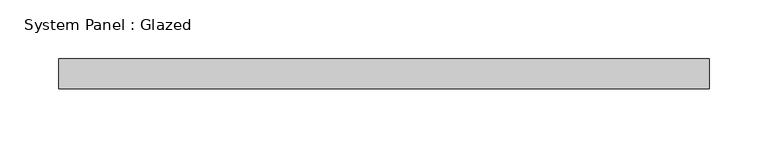
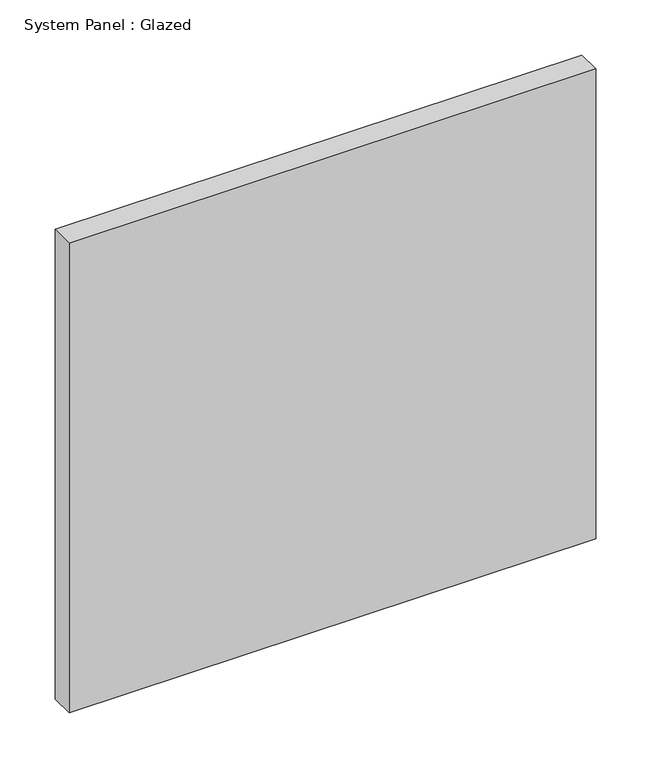
"""IFC4 building model written with IfcOpenShell, lengths in millimetres: plate geometry, System Panel : Glazed."""

from ifc_helpers import new_model, si_unit, origin, origin_with_axes, place, context, project, spatial, polyline, outline, extrude, source, transform, mapped, element, save


def system_panel_glazed_8ca4a25a(model_context):
    return source(origin(), model_context, "Body", "SweptSolid", [
        extrude(outline(polyline([(276.225, -44.45), (-276.225, -44.45), (-276.225, -19.05), (276.225, -19.05), (276.225, -44.45)])), origin_with_axes(), (0.0, 0.0, 1.0), 520.7),
    ])


if __name__ == "__main__":
    model = new_model("IFC4")
    model_context = context("Model", 3, world=origin())
    ifc_project = project(units=[si_unit("LENGTHUNIT", "METRE", prefix="MILLI")], contexts=[model_context])
    site = spatial("IfcSite", under=ifc_project)
    building = spatial("IfcBuilding", under=site)
    placement = place(None, origin())
    system_panel_glazed_shape = system_panel_glazed_8ca4a25a(model_context)
    element("IfcPlate", 1, ObjectType="System Panel : Glazed", at=placement, inside=building, context=model_context, shape_type="MappedRepresentation", body=[
        mapped(system_panel_glazed_shape, transform((0.0, 0.0, 0.0), x_axis=(1.0, 0.0, 0.0), y_axis=(0.0, 1.0, 0.0), z_axis=(0.0, 0.0, 1.0))),
    ])
    save(model, "model.ifc")
